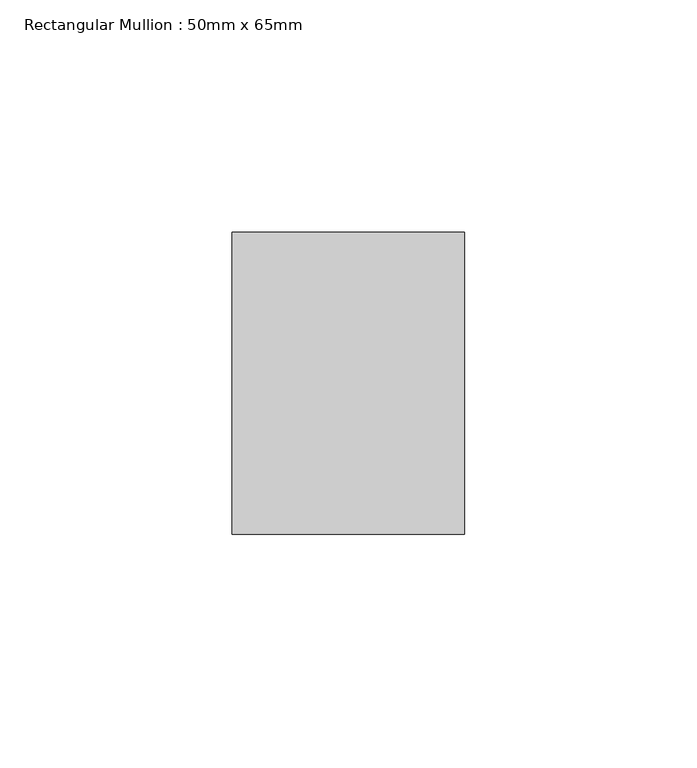
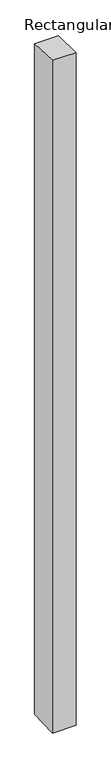
"""IFC4 building model written with IfcOpenShell, lengths in millimetres: member geometry, Rectangular Mullion : 50mm x 65mm."""

from ifc_helpers import new_model, si_unit, origin, place, context, project, spatial, faceted_brep, source, transform, mapped, element, save


def rectangular_mullion_50mm_x_65mm_315cb9e5(model_context):
    return source(origin(), model_context, "Body", "Brep", [
        faceted_brep([(-25.0, 32.5, -1.1419482), (25.0, 32.5, -1.1419519), (25.0, 32.5, -1498.5326142), (-25.0, 32.5, -1498.5326189), (-25.0, -32.5, 1.1419519), (-25.0, -32.5, -1501.4679691), (25.0, -32.5, 1.1419482), (25.0, -32.5, -1501.4679644)], [[[0, 1, 2, 3]], [[4, 0, 3, 5]], [[6, 4, 5, 7]], [[1, 6, 7, 2]], [[1, 0, 4, 6]], [[2, 7, 5, 3]]]),
    ])


if __name__ == "__main__":
    model = new_model("IFC4")
    model_context = context("Model", 3, world=origin())
    ifc_project = project(units=[si_unit("LENGTHUNIT", "METRE", prefix="MILLI")], contexts=[model_context])
    site = spatial("IfcSite", under=ifc_project)
    building = spatial("IfcBuilding", under=site)
    placement = place(None, origin())
    rectangular_mullion_50mm_x_65mm_shape = rectangular_mullion_50mm_x_65mm_315cb9e5(model_context)
    element("IfcMember", 1, ObjectType="Rectangular Mullion : 50mm x 65mm", at=placement, inside=building, context=model_context, shape_type="MappedRepresentation", body=[
        mapped(rectangular_mullion_50mm_x_65mm_shape, transform((0.0, 0.0, 0.0), x_axis=(1.0, 0.0, 0.0), y_axis=(0.0, 1.0, 0.0), z_axis=(0.0, 0.0, 1.0))),
    ])
    save(model, "model.ifc")
